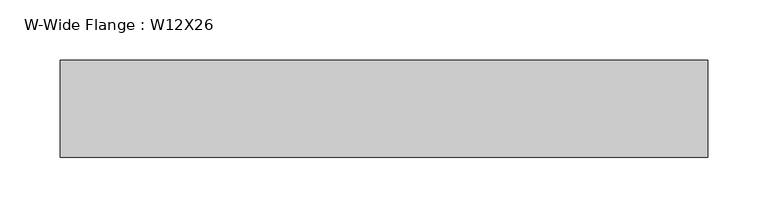
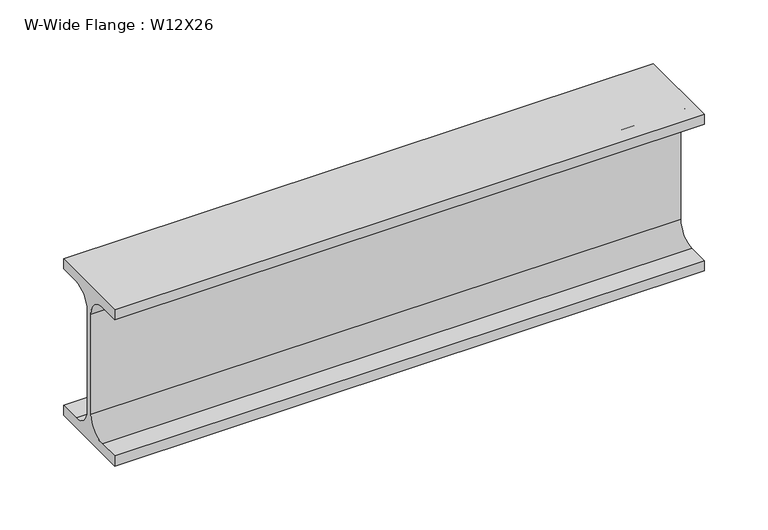
"""IFC4 building model written with IfcOpenShell, lengths in millimetres: beam geometry, W-Wide Flange : W12X26."""

from ifc_helpers import new_model, si_unit, point, frame, frame_2d, origin, place, context, project, spatial, polyline, circle_curve, trimmed, segment, composite_curve, outline, extrude, source, transform, mapped, element, save


def w_wide_flange_w12x26_a9eb63dd(model_context):
    return source(origin(), model_context, "Body", "SweptSolid", [
        extrude(outline(composite_curve([segment(polyline([(40.0, -65.3757813), (40.0, -75.0), (-40.0, -75.0), (-40.0, -65.3757813), (-20.2902344, -65.3757813)]), True, "CONTINUOUS"), segment(trimmed(circle_curve(frame_2d((-20.2902344, -48.0125)), 17.3632812), [point((-20.2902344, -65.3757813))], [point((-2.9269531, -48.0125))], True, "CARTESIAN"), True, "CONTINUOUS"), segment(polyline([(-2.9269531, -48.0125), (-2.9269531, 48.0125)]), True, "CONTINUOUS"), segment(trimmed(circle_curve(frame_2d((-20.2902344, 48.0125)), 17.3632812), [point((-2.9269531, 48.0125))], [point((-20.2902344, 65.3757812))], True, "CARTESIAN"), True, "CONTINUOUS"), segment(polyline([(-20.2902344, 65.3757812), (-40.0, 65.3757812), (-40.0, 75.0), (40.0, 75.0), (40.0, 65.3757812), (20.2902344, 65.3757812)]), True, "CONTINUOUS"), segment(trimmed(circle_curve(frame_2d((20.2902344, 48.0125)), 17.3632812), [point((20.2902344, 65.3757812))], [point((2.9269531, 48.0125))], True, "CARTESIAN"), True, "CONTINUOUS"), segment(polyline([(2.9269531, 48.0125), (2.9269531, -48.0125)]), True, "CONTINUOUS"), segment(trimmed(circle_curve(frame_2d((20.2902344, -48.0125)), 17.3632812), [point((2.9269531, -48.0125))], [point((20.2902344, -65.3757813))], True, "CARTESIAN"), True, "CONTINUOUS"), segment(polyline([(20.2902344, -65.3757813), (40.0, -65.3757813)]), True, "CONTINUOUS")], self_intersect=False)), frame((-345.3486191, 0.0, 0.0), z_axis=(1.0, 0.0, 0.0), x_axis=(0.0, 1.0, 0.0)), (0.0, 0.0, 1.0), 534.7879179),
    ])


if __name__ == "__main__":
    model = new_model("IFC4")
    model_context = context("Model", 3, world=origin())
    ifc_project = project(units=[si_unit("LENGTHUNIT", "METRE", prefix="MILLI")], contexts=[model_context])
    site = spatial("IfcSite", under=ifc_project)
    building = spatial("IfcBuilding", under=site)
    placement = place(None, origin())
    w_wide_flange_w12x26_shape = w_wide_flange_w12x26_a9eb63dd(model_context)
    element("IfcBeam", 1, ObjectType="W-Wide Flange : W12X26", at=placement, inside=building, context=model_context, shape_type="MappedRepresentation", body=[
        mapped(w_wide_flange_w12x26_shape, transform((0.0, 0.0, 0.0), x_axis=(1.0, 0.0, 0.0), y_axis=(0.0, 1.0, 0.0), z_axis=(0.0, 0.0, 1.0))),
    ])
    save(model, "model.ifc")
